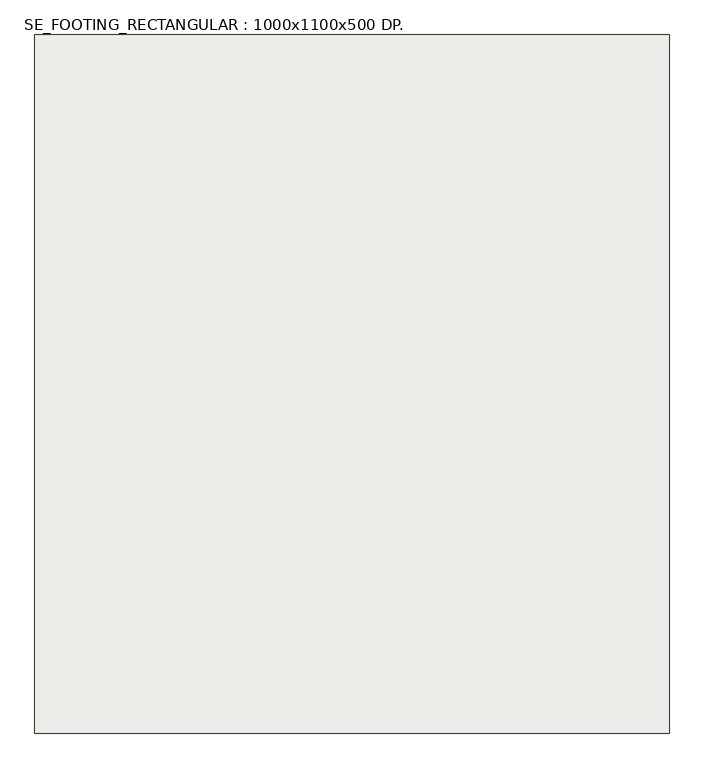
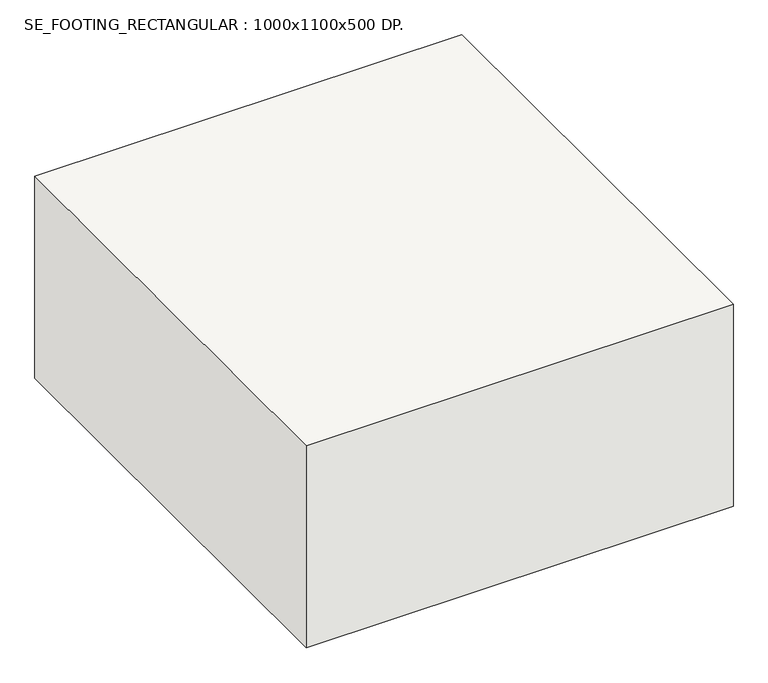
"""IFC4 building model written with IfcOpenShell, lengths in millimetres: slab geometry, SE_FOOTING_RECTANGULAR : 1000x1100x500 DP.."""

from ifc_helpers import new_model, si_unit, frame, origin, place, context, project, spatial, polyline, outline, extrude, source, transform, mapped, element, save


def se_footing_rectangular_1000x1100x500_dp_5cadb2b9(model_context):
    return source(origin(), model_context, "Body", "SweptSolid", [
        extrude(outline(polyline([(500.0, 550.0), (500.0, -550.0), (-500.0, -550.0), (-500.0, 550.0), (500.0, 550.0)])), frame((0.0, 0.0, -500.0), z_axis=(0.0, 0.0, 1.0), x_axis=(1.0, 0.0, 0.0)), (0.0, 0.0, 1.0), 500.0),
    ])


if __name__ == "__main__":
    model = new_model("IFC4")
    model_context = context("Model", 3, world=origin())
    ifc_project = project(units=[si_unit("LENGTHUNIT", "METRE", prefix="MILLI")], contexts=[model_context])
    site = spatial("IfcSite", under=ifc_project)
    building = spatial("IfcBuilding", under=site)
    placement = place(None, origin())
    se_footing_rectangular_1000x1100x500_dp_shape = se_footing_rectangular_1000x1100x500_dp_5cadb2b9(model_context)
    element("IfcSlab", 1, ObjectType="SE_FOOTING_RECTANGULAR : 1000x1100x500 DP.", at=placement, inside=building, context=model_context, shape_type="MappedRepresentation", body=[
        mapped(se_footing_rectangular_1000x1100x500_dp_shape, transform((0.0, 0.0, 0.0), x_axis=(1.0, 0.0, 0.0), y_axis=(0.0, 1.0, 0.0), z_axis=(0.0, 0.0, 1.0))),
    ])
    save(model, "model.ifc")
